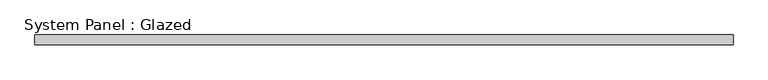
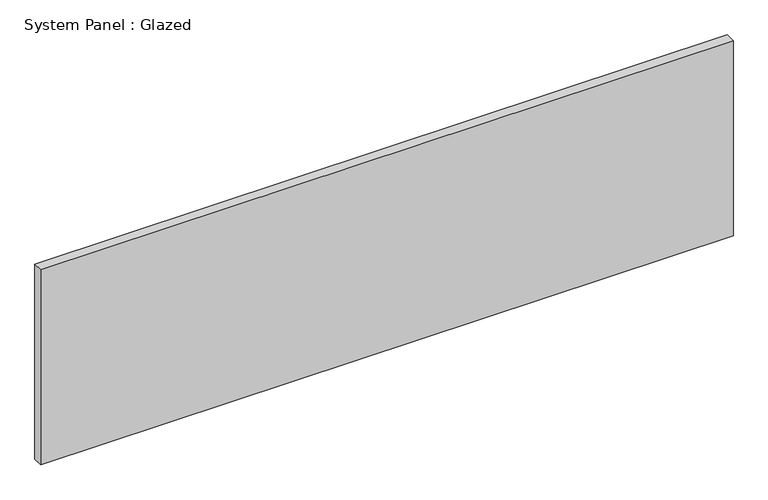
"""IFC4 building model written with IfcOpenShell, lengths in millimetres: plate geometry, System Panel : Glazed."""

from ifc_helpers import new_model, si_unit, origin, origin_with_axes, place, context, project, spatial, polyline, outline, extrude, source, transform, mapped, element, save


def system_panel_glazed_95f2f70f(model_context):
    return source(origin(), model_context, "Body", "SweptSolid", [
        extrude(outline(polyline([(895.3500002, 19.05), (-895.3500002, 19.05), (-895.3500002, 44.45), (895.3500002, 44.45), (895.3500002, 19.05)])), origin_with_axes(), (0.0, 0.0, 1.0), 533.4),
    ])


if __name__ == "__main__":
    model = new_model("IFC4")
    model_context = context("Model", 3, world=origin())
    ifc_project = project(units=[si_unit("LENGTHUNIT", "METRE", prefix="MILLI")], contexts=[model_context])
    site = spatial("IfcSite", under=ifc_project)
    building = spatial("IfcBuilding", under=site)
    placement = place(None, origin())
    system_panel_glazed_shape = system_panel_glazed_95f2f70f(model_context)
    element("IfcPlate", 1, ObjectType="System Panel : Glazed", at=placement, inside=building, context=model_context, shape_type="MappedRepresentation", body=[
        mapped(system_panel_glazed_shape, transform((0.0, 0.0, 0.0), x_axis=(1.0, 0.0, 0.0), y_axis=(0.0, 1.0, 0.0), z_axis=(0.0, 0.0, 1.0))),
    ])
    save(model, "model.ifc")
